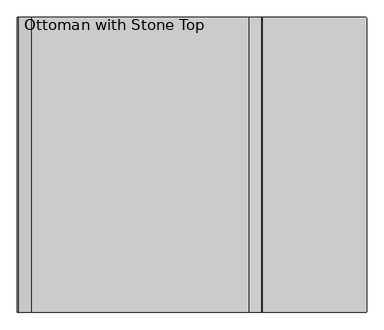
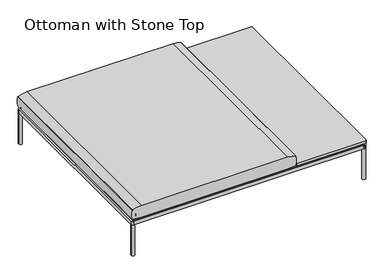
"""IFC4 building model written with IfcOpenShell, lengths in millimetres: furniture geometry, Ottoman with Stone Top."""

from ifc_helpers import new_model, si_unit, point, frame, frame_2d, origin, origin_with_axes, place, context, project, spatial, polyline, circle_curve, trimmed, segment, composite_curve, outline, extrude, source, transform, mapped, element, save
from ifc_brep_helpers import plane_surface, cylinder_surface, advanced_brep


def ottoman_with_stone_top_fe8f8da9(model_context):
    return source(origin(), model_context, "Body", "SolidModel", [
        extrude(outline(composite_curve([segment(trimmed(circle_curve(frame_2d((492.2547118, 255.27)), 2.54), [point((492.2547118, 257.81))], [point((494.7947118, 255.27))], False, "CARTESIAN"), True, "CONTINUOUS"), segment(polyline([(494.7947118, 255.27), (494.7947118, -839.47)]), True, "CONTINUOUS"), segment(trimmed(circle_curve(frame_2d((492.2547118, -839.47)), 2.54), [point((494.7947118, -839.47))], [point((492.2547118, -842.01))], False, "CARTESIAN"), True, "CONTINUOUS"), segment(polyline([(492.2547118, -842.01), (108.7147118, -842.01)]), True, "CONTINUOUS"), segment(trimmed(circle_curve(frame_2d((108.7147118, -839.47)), 2.54), [point((108.7147118, -842.01))], [point((106.1747118, -839.47))], False, "CARTESIAN"), True, "CONTINUOUS"), segment(polyline([(106.1747118, -839.47), (106.1747118, 255.27)]), True, "CONTINUOUS"), segment(trimmed(circle_curve(frame_2d((108.7147118, 255.27)), 2.54), [point((106.1747118, 255.27))], [point((108.7147118, 257.81))], False, "CARTESIAN"), True, "CONTINUOUS"), segment(polyline([(108.7147118, 257.81), (492.2547118, 257.81)]), True, "CONTINUOUS")], self_intersect=False)), frame((0.0, 0.0, 210.5022953), z_axis=(0.0, 0.0, 1.0), x_axis=(1.0, 0.0, 0.0)), (0.0, 0.0, 1.0), 15.2403071),
        extrude(outline(composite_curve([segment(trimmed(circle_curve(frame_2d((196.9469907, 169.6010815)), 4.010989), [point((192.9360018, 169.6010815))], [point((200.9579797, 169.6010815))], False, "CARTESIAN"), True, "CONTINUOUS"), segment(trimmed(circle_curve(frame_2d((196.9469907, 169.6010815)), 4.010989), [point((200.9579797, 169.6010815))], [point((192.9360018, 169.6010815))], False, "CARTESIAN"), True, "CONTINUOUS")], self_intersect=False)), frame((0.0, 0.0, 170.7645404), z_axis=(0.0, 0.0, 1.0), x_axis=(1.0, 0.0, 0.0)), (0.0, 0.0, 1.0), 38.5977894),
        extrude(outline(composite_curve([segment(trimmed(circle_curve(frame_2d((-3.1055663, 169.5794929)), 4.010989), [point((-7.1165553, 169.5794929))], [point((0.9054227, 169.5794929))], False, "CARTESIAN"), True, "CONTINUOUS"), segment(trimmed(circle_curve(frame_2d((-3.1055663, 169.5794929)), 4.010989), [point((0.9054227, 169.5794929))], [point((-7.1165553, 169.5794929))], False, "CARTESIAN"), True, "CONTINUOUS")], self_intersect=False)), frame((0.0, 0.0, 170.7645404), z_axis=(0.0, 0.0, 1.0), x_axis=(1.0, 0.0, 0.0)), (0.0, 0.0, 1.0), 38.5977894),
        extrude(outline(composite_curve([segment(trimmed(circle_curve(frame_2d((-3.1055663, -754.4437022)), 4.010989), [point((-7.1165553, -754.4437022))], [point((0.9054227, -754.4437022))], False, "CARTESIAN"), True, "CONTINUOUS"), segment(trimmed(circle_curve(frame_2d((-3.1055663, -754.4437022)), 4.010989), [point((0.9054227, -754.4437022))], [point((-7.1165553, -754.4437022))], False, "CARTESIAN"), True, "CONTINUOUS")], self_intersect=False)), frame((0.0, 0.0, 170.7645404), z_axis=(0.0, 0.0, 1.0), x_axis=(1.0, 0.0, 0.0)), (0.0, 0.0, 1.0), 38.5977894),
        extrude(outline(composite_curve([segment(trimmed(circle_curve(frame_2d((196.9593077, -754.4437022)), 4.010989), [point((192.9483187, -754.4437022))], [point((200.9702967, -754.4437022))], False, "CARTESIAN"), True, "CONTINUOUS"), segment(trimmed(circle_curve(frame_2d((196.9593077, -754.4437022)), 4.010989), [point((200.9702967, -754.4437022))], [point((192.9483187, -754.4437022))], False, "CARTESIAN"), True, "CONTINUOUS")], self_intersect=False)), frame((0.0, 0.0, 170.7645404), z_axis=(0.0, 0.0, 1.0), x_axis=(1.0, 0.0, 0.0)), (0.0, 0.0, 1.0), 38.5977894),
        extrude(outline(composite_curve([segment(trimmed(circle_curve(frame_2d((196.9469907, -754.4095964)), 9.4611539), [point((187.4858368, -754.4095964))], [point((206.4081446, -754.4095964))], False, "CARTESIAN"), True, "CONTINUOUS"), segment(trimmed(circle_curve(frame_2d((196.9469907, -754.4095964)), 9.4611539), [point((206.4081446, -754.4095964))], [point((187.4858368, -754.4095964))], False, "CARTESIAN"), True, "CONTINUOUS")], self_intersect=False)), frame((0.0, 0.0, 200.6638055), z_axis=(0.0, 0.0, 1.0), x_axis=(1.0, 0.0, 0.0)), (0.0, 0.0, 1.0), 5.2496237),
        extrude(outline(composite_curve([segment(trimmed(circle_curve(frame_2d((-3.0530108, -754.3457503)), 9.4611539), [point((-12.5141647, -754.3457503))], [point((6.4081431, -754.3457503))], False, "CARTESIAN"), True, "CONTINUOUS"), segment(trimmed(circle_curve(frame_2d((-3.0530108, -754.3457503)), 9.4611539), [point((6.4081431, -754.3457503))], [point((-12.5141647, -754.3457503))], False, "CARTESIAN"), True, "CONTINUOUS")], self_intersect=False)), frame((0.0, 0.0, 200.6638055), z_axis=(0.0, 0.0, 1.0), x_axis=(1.0, 0.0, 0.0)), (0.0, 0.0, 1.0), 5.2496237),
        extrude(outline(composite_curve([segment(trimmed(circle_curve(frame_2d((-3.0530108, 169.6649276)), 9.4611539), [point((-12.5141647, 169.6649276))], [point((6.4081431, 169.6649276))], False, "CARTESIAN"), True, "CONTINUOUS"), segment(trimmed(circle_curve(frame_2d((-3.0530108, 169.6649276)), 9.4611539), [point((6.4081431, 169.6649276))], [point((-12.5141647, 169.6649276))], False, "CARTESIAN"), True, "CONTINUOUS")], self_intersect=False)), frame((0.0, 0.0, 200.6638055), z_axis=(0.0, 0.0, 1.0), x_axis=(1.0, 0.0, 0.0)), (0.0, 0.0, 1.0), 5.2496237),
        extrude(outline(composite_curve([segment(trimmed(circle_curve(frame_2d((196.9469907, 169.6649276)), 9.4611539), [point((187.4858368, 169.6649276))], [point((206.4081446, 169.6649276))], False, "CARTESIAN"), True, "CONTINUOUS"), segment(trimmed(circle_curve(frame_2d((196.9469907, 169.6649276)), 9.4611539), [point((206.4081446, 169.6649276))], [point((187.4858368, 169.6649276))], False, "CARTESIAN"), True, "CONTINUOUS")], self_intersect=False)), frame((0.0, 0.0, 200.6638055), z_axis=(0.0, 0.0, 1.0), x_axis=(1.0, 0.0, 0.0)), (0.0, 0.0, 1.0), 5.2496237),
        extrude(outline(composite_curve([segment(trimmed(circle_curve(frame_2d((196.9469907, -754.4095964)), 9.4611539), [point((187.4858368, -754.4095964))], [point((206.4081446, -754.4095964))], False, "CARTESIAN"), True, "CONTINUOUS"), segment(trimmed(circle_curve(frame_2d((196.9469907, -754.4095964)), 9.4611539), [point((206.4081446, -754.4095964))], [point((187.4858368, -754.4095964))], False, "CARTESIAN"), True, "CONTINUOUS")], self_intersect=False)), frame((0.0, 0.0, 175.5804905), z_axis=(0.0, 0.0, 1.0), x_axis=(1.0, 0.0, 0.0)), (0.0, 0.0, 1.0), 5.2496237),
        extrude(outline(composite_curve([segment(trimmed(circle_curve(frame_2d((-3.0530108, -754.3457503)), 9.4611539), [point((-12.5141647, -754.3457503))], [point((6.4081431, -754.3457503))], False, "CARTESIAN"), True, "CONTINUOUS"), segment(trimmed(circle_curve(frame_2d((-3.0530108, -754.3457503)), 9.4611539), [point((6.4081431, -754.3457503))], [point((-12.5141647, -754.3457503))], False, "CARTESIAN"), True, "CONTINUOUS")], self_intersect=False)), frame((0.0, 0.0, 175.5804905), z_axis=(0.0, 0.0, 1.0), x_axis=(1.0, 0.0, 0.0)), (0.0, 0.0, 1.0), 5.2496237),
        extrude(outline(composite_curve([segment(trimmed(circle_curve(frame_2d((-3.0530108, 169.6649276)), 9.4611539), [point((-12.5141647, 169.6649276))], [point((6.4081431, 169.6649276))], False, "CARTESIAN"), True, "CONTINUOUS"), segment(trimmed(circle_curve(frame_2d((-3.0530108, 169.6649276)), 9.4611539), [point((6.4081431, 169.6649276))], [point((-12.5141647, 169.6649276))], False, "CARTESIAN"), True, "CONTINUOUS")], self_intersect=False)), frame((0.0, 0.0, 175.5804905), z_axis=(0.0, 0.0, 1.0), x_axis=(1.0, 0.0, 0.0)), (0.0, 0.0, 1.0), 5.2496237),
        extrude(outline(composite_curve([segment(trimmed(circle_curve(frame_2d((196.9469907, 169.6649276)), 9.4611539), [point((187.4858368, 169.6649276))], [point((206.4081446, 169.6649276))], False, "CARTESIAN"), True, "CONTINUOUS"), segment(trimmed(circle_curve(frame_2d((196.9469907, 169.6649276)), 9.4611539), [point((206.4081446, 169.6649276))], [point((187.4858368, 169.6649276))], False, "CARTESIAN"), True, "CONTINUOUS")], self_intersect=False)), frame((0.0, 0.0, 175.5804905), z_axis=(0.0, 0.0, 1.0), x_axis=(1.0, 0.0, 0.0)), (0.0, 0.0, 1.0), 5.2496237),
        extrude(outline(composite_curve([segment(trimmed(circle_curve(frame_2d((196.7916573, 122.4736534)), 36.0166924), [point((212.7435269, 154.7651382))], [point((180.8397877, 154.7651382))], True, "CARTESIAN"), True, "CONTINUOUS"), segment(trimmed(circle_curve(frame_2d((180.5081653, 155.6702968)), 0.9639946), [point((180.8397877, 154.7651382))], [point((179.7634816, 155.0581436))], False, "CARTESIAN"), True, "CONTINUOUS"), segment(trimmed(circle_curve(frame_2d((199.6873534, 171.4361863)), 25.79149), [point((179.7634816, 155.0581436))], [point((175.5416164, 162.3706285))], False, "CARTESIAN"), True, "CONTINUOUS"), segment(trimmed(circle_curve(frame_2d((176.4514144, 162.7122137)), 0.971809), [point((175.5416164, 162.3706285))], [point((175.9386844, 163.5377564))], False, "CARTESIAN"), True, "CONTINUOUS"), segment(trimmed(circle_curve(frame_2d((156.3690008, 193.1030042)), 35.4552732), [point((175.9386844, 163.5377564))], [point((191.7580983, 190.9377849))], True, "CARTESIAN"), True, "CONTINUOUS"), segment(trimmed(circle_curve(frame_2d((192.7780635, 190.8643155)), 1.0226079), [point((191.7580983, 190.9377849))], [point((192.5690953, 191.8653446))], False, "CARTESIAN"), True, "CONTINUOUS"), segment(trimmed(circle_curve(frame_2d((196.7916573, 171.6378378)), 20.6635442), [point((192.5690953, 191.8653446))], [point((201.0142193, 191.8653446))], False, "CARTESIAN"), True, "CONTINUOUS"), segment(trimmed(circle_curve(frame_2d((200.805337, 190.8647274)), 1.0221871), [point((201.0142193, 191.8653446))], [point((201.8248918, 190.9380379))], False, "CARTESIAN"), True, "CONTINUOUS"), segment(trimmed(circle_curve(frame_2d((237.9646471, 193.536646)), 36.2330605), [point((201.8248918, 190.9380379))], [point((217.6443089, 163.5380039))], True, "CARTESIAN"), True, "CONTINUOUS"), segment(trimmed(circle_curve(frame_2d((217.0702859, 162.6905815)), 1.0235365), [point((217.6443089, 163.5380039))], [point((218.045337, 162.3792898))], False, "CARTESIAN"), True, "CONTINUOUS"), segment(trimmed(circle_curve(frame_2d((194.579629, 171.0425348)), 25.0138214), [point((218.045337, 162.3792898))], [point((213.8150733, 155.0522582))], False, "CARTESIAN"), True, "CONTINUOUS"), segment(trimmed(circle_curve(frame_2d((213.115827, 155.518788)), 0.8405923), [point((213.8150733, 155.0522582))], [point((212.7435269, 154.7651382))], False, "CARTESIAN"), True, "CONTINUOUS")], self_intersect=False)), frame((0.0, 0.0, 165.7894444), z_axis=(0.0, 0.0, 1.0), x_axis=(1.0, 0.0, 0.0)), (0.0, 0.0, 1.0), 9.7910462),
        extrude(outline(composite_curve([segment(trimmed(circle_curve(frame_2d((-3.0530108, 122.2288136)), 36.0166924), [point((12.8988588, 154.5202984))], [point((-19.0048804, 154.5202984))], True, "CARTESIAN"), True, "CONTINUOUS"), segment(trimmed(circle_curve(frame_2d((-19.3365028, 155.425457)), 0.9639946), [point((-19.0048804, 154.5202984))], [point((-20.0811865, 154.8133038))], False, "CARTESIAN"), True, "CONTINUOUS"), segment(trimmed(circle_curve(frame_2d((-0.1573146, 171.1913465)), 25.79149), [point((-20.0811865, 154.8133038))], [point((-24.3030517, 162.1257887))], False, "CARTESIAN"), True, "CONTINUOUS"), segment(trimmed(circle_curve(frame_2d((-23.3932537, 162.4673739)), 0.971809), [point((-24.3030517, 162.1257887))], [point((-23.9059837, 163.2929166))], False, "CARTESIAN"), True, "CONTINUOUS"), segment(trimmed(circle_curve(frame_2d((-43.4756673, 192.8581644)), 35.4552732), [point((-23.9059837, 163.2929166))], [point((-8.0865698, 190.6929451))], True, "CARTESIAN"), True, "CONTINUOUS"), segment(trimmed(circle_curve(frame_2d((-7.0666045, 190.6194757)), 1.0226079), [point((-8.0865698, 190.6929451))], [point((-7.2755728, 191.6205048))], False, "CARTESIAN"), True, "CONTINUOUS"), segment(trimmed(circle_curve(frame_2d((-3.0530108, 171.392998)), 20.6635442), [point((-7.2755728, 191.6205048))], [point((1.1695512, 191.6205048))], False, "CARTESIAN"), True, "CONTINUOUS"), segment(trimmed(circle_curve(frame_2d((0.960669, 190.6198877)), 1.0221871), [point((1.1695512, 191.6205048))], [point((1.9802238, 190.6931981))], False, "CARTESIAN"), True, "CONTINUOUS"), segment(trimmed(circle_curve(frame_2d((38.119979, 193.2918062)), 36.2330605), [point((1.9802238, 190.6931981))], [point((17.7996408, 163.2931641))], True, "CARTESIAN"), True, "CONTINUOUS"), segment(trimmed(circle_curve(frame_2d((17.2256179, 162.4457417)), 1.0235365), [point((17.7996408, 163.2931641))], [point((18.2006689, 162.13445))], False, "CARTESIAN"), True, "CONTINUOUS"), segment(trimmed(circle_curve(frame_2d((-5.265039, 170.797695)), 25.0138214), [point((18.2006689, 162.13445))], [point((13.9704052, 154.8074184))], False, "CARTESIAN"), True, "CONTINUOUS"), segment(trimmed(circle_curve(frame_2d((13.2711589, 155.2739482)), 0.8405923), [point((13.9704052, 154.8074184))], [point((12.8988588, 154.5202984))], False, "CARTESIAN"), True, "CONTINUOUS")], self_intersect=False)), frame((0.0, 0.0, 165.7894444), z_axis=(0.0, 0.0, 1.0), x_axis=(1.0, 0.0, 0.0)), (0.0, 0.0, 1.0), 9.7910462),
        extrude(outline(composite_curve([segment(trimmed(circle_curve(frame_2d((-3.0530108, -801.7818643)), 36.0166924), [point((12.8988588, -769.4903795))], [point((-19.0048804, -769.4903795))], True, "CARTESIAN"), True, "CONTINUOUS"), segment(trimmed(circle_curve(frame_2d((-19.3365028, -768.5852209)), 0.9639946), [point((-19.0048804, -769.4903795))], [point((-20.0811865, -769.1973741))], False, "CARTESIAN"), True, "CONTINUOUS"), segment(trimmed(circle_curve(frame_2d((-0.1573146, -752.8193314)), 25.79149), [point((-20.0811865, -769.1973741))], [point((-24.3030517, -761.8848892))], False, "CARTESIAN"), True, "CONTINUOUS"), segment(trimmed(circle_curve(frame_2d((-23.3932537, -761.543304)), 0.971809), [point((-24.3030517, -761.8848892))], [point((-23.9059837, -760.7177613))], False, "CARTESIAN"), True, "CONTINUOUS"), segment(trimmed(circle_curve(frame_2d((-43.4756673, -731.1525135)), 35.4552732), [point((-23.9059837, -760.7177613))], [point((-8.0865698, -733.3177328))], True, "CARTESIAN"), True, "CONTINUOUS"), segment(trimmed(circle_curve(frame_2d((-7.0666045, -733.3912022)), 1.0226079), [point((-8.0865698, -733.3177328))], [point((-7.2755728, -732.3901731))], False, "CARTESIAN"), True, "CONTINUOUS"), segment(trimmed(circle_curve(frame_2d((-3.0530108, -752.6176799)), 20.6635442), [point((-7.2755728, -732.3901731))], [point((1.1695512, -732.3901731))], False, "CARTESIAN"), True, "CONTINUOUS"), segment(trimmed(circle_curve(frame_2d((0.960669, -733.3907903)), 1.0221871), [point((1.1695512, -732.3901731))], [point((1.9802238, -733.3174798))], False, "CARTESIAN"), True, "CONTINUOUS"), segment(trimmed(circle_curve(frame_2d((38.119979, -730.7188717)), 36.2330605), [point((1.9802238, -733.3174798))], [point((17.7996408, -760.7175138))], True, "CARTESIAN"), True, "CONTINUOUS"), segment(trimmed(circle_curve(frame_2d((17.2256179, -761.5649362)), 1.0235365), [point((17.7996408, -760.7175138))], [point((18.2006689, -761.8762279))], False, "CARTESIAN"), True, "CONTINUOUS"), segment(trimmed(circle_curve(frame_2d((-5.265039, -753.2129829)), 25.0138214), [point((18.2006689, -761.8762279))], [point((13.9704052, -769.2032595))], False, "CARTESIAN"), True, "CONTINUOUS"), segment(trimmed(circle_curve(frame_2d((13.2711589, -768.7367297)), 0.8405923), [point((13.9704052, -769.2032595))], [point((12.8988588, -769.4903795))], False, "CARTESIAN"), True, "CONTINUOUS")], self_intersect=False)), frame((0.0, 0.0, 165.7894444), z_axis=(0.0, 0.0, 1.0), x_axis=(1.0, 0.0, 0.0)), (0.0, 0.0, 1.0), 9.7910462),
        extrude(outline(composite_curve([segment(trimmed(circle_curve(frame_2d((196.9469907, -801.7818643)), 36.0166924), [point((212.8988603, -769.4903795))], [point((180.9951211, -769.4903795))], True, "CARTESIAN"), True, "CONTINUOUS"), segment(trimmed(circle_curve(frame_2d((180.6634988, -768.5852209)), 0.9639946), [point((180.9951211, -769.4903795))], [point((179.918815, -769.1973741))], False, "CARTESIAN"), True, "CONTINUOUS"), segment(trimmed(circle_curve(frame_2d((199.8426869, -752.8193314)), 25.79149), [point((179.918815, -769.1973741))], [point((175.6969499, -761.8848892))], False, "CARTESIAN"), True, "CONTINUOUS"), segment(trimmed(circle_curve(frame_2d((176.6067478, -761.543304)), 0.971809), [point((175.6969499, -761.8848892))], [point((176.0940178, -760.7177613))], False, "CARTESIAN"), True, "CONTINUOUS"), segment(trimmed(circle_curve(frame_2d((156.5243342, -731.1525135)), 35.4552732), [point((176.0940178, -760.7177613))], [point((191.9134317, -733.3177328))], True, "CARTESIAN"), True, "CONTINUOUS"), segment(trimmed(circle_curve(frame_2d((192.933397, -733.3912022)), 1.0226079), [point((191.9134317, -733.3177328))], [point((192.7244287, -732.3901731))], False, "CARTESIAN"), True, "CONTINUOUS"), segment(trimmed(circle_curve(frame_2d((196.9469907, -752.6176799)), 20.6635442), [point((192.7244287, -732.3901731))], [point((201.1695528, -732.3901731))], False, "CARTESIAN"), True, "CONTINUOUS"), segment(trimmed(circle_curve(frame_2d((200.9606705, -733.3907903)), 1.0221871), [point((201.1695528, -732.3901731))], [point((201.9802253, -733.3174798))], False, "CARTESIAN"), True, "CONTINUOUS"), segment(trimmed(circle_curve(frame_2d((238.1199805, -730.7188717)), 36.2330605), [point((201.9802253, -733.3174798))], [point((217.7996423, -760.7175138))], True, "CARTESIAN"), True, "CONTINUOUS"), segment(trimmed(circle_curve(frame_2d((217.2256194, -761.5649362)), 1.0235365), [point((217.7996423, -760.7175138))], [point((218.2006704, -761.8762279))], False, "CARTESIAN"), True, "CONTINUOUS"), segment(trimmed(circle_curve(frame_2d((194.7349625, -753.2129829)), 25.0138214), [point((218.2006704, -761.8762279))], [point((213.9704067, -769.2032595))], False, "CARTESIAN"), True, "CONTINUOUS"), segment(trimmed(circle_curve(frame_2d((213.2711605, -768.7367297)), 0.8405923), [point((213.9704067, -769.2032595))], [point((212.8988603, -769.4903795))], False, "CARTESIAN"), True, "CONTINUOUS")], self_intersect=False)), frame((0.0, 0.0, 165.7894444), z_axis=(0.0, 0.0, 1.0), x_axis=(1.0, 0.0, 0.0)), (0.0, 0.0, 1.0), 9.7910462),
        extrude(outline(composite_curve([segment(trimmed(circle_curve(frame_2d((-793.7438099, 245.8600121)), 1.9413078), [point((-795.6851177, 245.8600121))], [point((-793.7438099, 247.8013198))], False, "CARTESIAN"), True, "CONTINUOUS"), segment(polyline([(-793.7438099, 247.8013198), (482.7909315, 247.8013198)]), True, "CONTINUOUS"), segment(trimmed(circle_curve(frame_2d((482.7909315, 245.7941911)), 2.0071288), [point((482.7909315, 247.8013198))], [point((484.7980603, 245.7941911))], False, "CARTESIAN"), True, "CONTINUOUS"), segment(polyline([(484.7980603, 245.7941911), (484.7980603, -830.0202885)]), True, "CONTINUOUS"), segment(trimmed(circle_curve(frame_2d((482.7963356, -830.0202885)), 2.0017246), [point((484.7980603, -830.0202885))], [point((482.7963356, -832.0220131))], False, "CARTESIAN"), True, "CONTINUOUS"), segment(polyline([(482.7963356, -832.0220131), (-793.6865391, -832.0220131)]), True, "CONTINUOUS"), segment(trimmed(circle_curve(frame_2d((-793.6865391, -830.0234345)), 1.9985786), [point((-793.6865391, -832.0220131))], [point((-795.6851177, -830.0234345))], False, "CARTESIAN"), True, "CONTINUOUS"), segment(polyline([(-795.6851177, -830.0234345), (-795.6851177, 245.8600121)]), True, "CONTINUOUS")], self_intersect=False)), frame((0.0, 0.0, 200.6639327), z_axis=(0.0, 0.0, 1.0), x_axis=(1.0, 0.0, 0.0)), (0.0, 0.0, 1.0), 8.6983971),
        extrude(outline(composite_curve([segment(trimmed(circle_curve(frame_2d((-734.5485908, -768.4918899)), 0.8405923), [point((-734.1762907, -769.2455397))], [point((-735.2478371, -768.9584197))], False, "CARTESIAN"), True, "CONTINUOUS"), segment(trimmed(circle_curve(frame_2d((-716.0123929, -752.9681431)), 25.0138214), [point((-735.2478371, -768.9584197))], [point((-739.4781008, -761.6313881))], False, "CARTESIAN"), True, "CONTINUOUS"), segment(trimmed(circle_curve(frame_2d((-738.5030497, -761.3200964)), 1.0235365), [point((-739.4781008, -761.6313881))], [point((-739.0770727, -760.472674))], False, "CARTESIAN"), True, "CONTINUOUS"), segment(trimmed(circle_curve(frame_2d((-759.3974109, -730.4740319)), 36.2330605), [point((-739.0770727, -760.472674))], [point((-723.2576556, -733.07264))], True, "CARTESIAN"), True, "CONTINUOUS"), segment(trimmed(circle_curve(frame_2d((-722.2381008, -733.1459505)), 1.0221871), [point((-723.2576556, -733.07264))], [point((-722.4469831, -732.1453333))], False, "CARTESIAN"), True, "CONTINUOUS"), segment(trimmed(circle_curve(frame_2d((-718.2244211, -752.3728401)), 20.6635442), [point((-722.4469831, -732.1453333))], [point((-714.0018591, -732.1453333))], False, "CARTESIAN"), True, "CONTINUOUS"), segment(trimmed(circle_curve(frame_2d((-714.2108273, -733.1463624)), 1.0226079), [point((-714.0018591, -732.1453333))], [point((-713.1908621, -733.072893))], False, "CARTESIAN"), True, "CONTINUOUS"), segment(trimmed(circle_curve(frame_2d((-677.8017646, -730.9076737)), 35.4552732), [point((-713.1908621, -733.072893))], [point((-697.3714482, -760.4729215))], True, "CARTESIAN"), True, "CONTINUOUS"), segment(trimmed(circle_curve(frame_2d((-697.8841782, -761.2984642)), 0.971809), [point((-697.3714482, -760.4729215))], [point((-696.9743802, -761.6400494))], False, "CARTESIAN"), True, "CONTINUOUS"), segment(trimmed(circle_curve(frame_2d((-721.1201172, -752.5744916)), 25.79149), [point((-696.9743802, -761.6400494))], [point((-701.1962454, -768.9525343))], False, "CARTESIAN"), True, "CONTINUOUS"), segment(trimmed(circle_curve(frame_2d((-701.9409291, -768.3403811)), 0.9639946), [point((-701.1962454, -768.9525343))], [point((-702.2725515, -769.2455397))], False, "CARTESIAN"), True, "CONTINUOUS"), segment(trimmed(circle_curve(frame_2d((-718.2244211, -801.5370245)), 36.0166924), [point((-702.2725515, -769.2455397))], [point((-734.1762907, -769.2455397))], True, "CARTESIAN"), True, "CONTINUOUS")], self_intersect=False)), frame((0.0, 0.0, 165.7894444), z_axis=(0.0, 0.0, 1.0), x_axis=(1.0, 0.0, 0.0)), (0.0, 0.0, 1.0), 9.7910462),
        extrude(outline(composite_curve([segment(trimmed(circle_curve(frame_2d((-718.2242758, -754.2455832)), 3.9922173), [point((-714.2320585, -754.2455832))], [point((-722.216493, -754.2455832))], False, "CARTESIAN"), True, "CONTINUOUS"), segment(trimmed(circle_curve(frame_2d((-718.2242758, -754.2455832)), 3.9922173), [point((-722.216493, -754.2455832))], [point((-714.2320585, -754.2455832))], False, "CARTESIAN"), True, "CONTINUOUS")], self_intersect=False)), frame((0.0, 0.0, 170.7645404), z_axis=(0.0, 0.0, 1.0), x_axis=(1.0, 0.0, 0.0)), (0.0, 0.0, 1.0), 38.5901772),
        extrude(outline(composite_curve([segment(trimmed(circle_curve(frame_2d((-718.2242758, -754.2455832)), 9.4525726), [point((-708.7717031, -754.2455832))], [point((-727.6768484, -754.2455832))], False, "CARTESIAN"), True, "CONTINUOUS"), segment(trimmed(circle_curve(frame_2d((-718.2242758, -754.2455832)), 9.4525726), [point((-727.6768484, -754.2455832))], [point((-708.7717031, -754.2455832))], False, "CARTESIAN"), True, "CONTINUOUS")], self_intersect=False)), frame((0.0, 0.0, 200.6639145), z_axis=(0.0, 0.0, 1.0), x_axis=(1.0, 0.0, 0.0)), (0.0, 0.0, 1.0), 5.0787766),
        extrude(outline(composite_curve([segment(trimmed(circle_curve(frame_2d((-718.2242758, -754.2455832)), 9.4525726), [point((-708.7717031, -754.2455832))], [point((-727.6768484, -754.2455832))], False, "CARTESIAN"), True, "CONTINUOUS"), segment(trimmed(circle_curve(frame_2d((-718.2242758, -754.2455832)), 9.4525726), [point((-727.6768484, -754.2455832))], [point((-708.7717031, -754.2455832))], False, "CARTESIAN"), True, "CONTINUOUS")], self_intersect=False)), frame((0.0, 0.0, 175.5804905), z_axis=(0.0, 0.0, 1.0), x_axis=(1.0, 0.0, 0.0)), (0.0, 0.0, 1.0), 5.0787766),
        extrude(outline(composite_curve([segment(trimmed(circle_curve(frame_2d((396.8166573, -801.5370245)), 36.0166924), [point((412.7685269, -769.2455397))], [point((380.8647877, -769.2455397))], True, "CARTESIAN"), True, "CONTINUOUS"), segment(trimmed(circle_curve(frame_2d((380.5331653, -768.3403811)), 0.9639946), [point((380.8647877, -769.2455397))], [point((379.7884816, -768.9525343))], False, "CARTESIAN"), True, "CONTINUOUS"), segment(trimmed(circle_curve(frame_2d((399.7123534, -752.5744916)), 25.79149), [point((379.7884816, -768.9525343))], [point((375.5666164, -761.6400494))], False, "CARTESIAN"), True, "CONTINUOUS"), segment(trimmed(circle_curve(frame_2d((376.4764144, -761.2984642)), 0.971809), [point((375.5666164, -761.6400494))], [point((375.9636844, -760.4729215))], False, "CARTESIAN"), True, "CONTINUOUS"), segment(trimmed(circle_curve(frame_2d((356.3940008, -730.9076737)), 35.4552732), [point((375.9636844, -760.4729215))], [point((391.7830983, -733.072893))], True, "CARTESIAN"), True, "CONTINUOUS"), segment(trimmed(circle_curve(frame_2d((392.8030635, -733.1463624)), 1.0226079), [point((391.7830983, -733.072893))], [point((392.5940953, -732.1453333))], False, "CARTESIAN"), True, "CONTINUOUS"), segment(trimmed(circle_curve(frame_2d((396.8166573, -752.3728401)), 20.6635442), [point((392.5940953, -732.1453333))], [point((401.0392193, -732.1453333))], False, "CARTESIAN"), True, "CONTINUOUS"), segment(trimmed(circle_curve(frame_2d((400.830337, -733.1459505)), 1.0221871), [point((401.0392193, -732.1453333))], [point((401.8498918, -733.07264))], False, "CARTESIAN"), True, "CONTINUOUS"), segment(trimmed(circle_curve(frame_2d((437.9896471, -730.4740319)), 36.2330605), [point((401.8498918, -733.07264))], [point((417.6693089, -760.472674))], True, "CARTESIAN"), True, "CONTINUOUS"), segment(trimmed(circle_curve(frame_2d((417.0952859, -761.3200964)), 1.0235365), [point((417.6693089, -760.472674))], [point((418.070337, -761.6313881))], False, "CARTESIAN"), True, "CONTINUOUS"), segment(trimmed(circle_curve(frame_2d((394.604629, -752.9681431)), 25.0138214), [point((418.070337, -761.6313881))], [point((413.8400733, -768.9584197))], False, "CARTESIAN"), True, "CONTINUOUS"), segment(trimmed(circle_curve(frame_2d((413.140827, -768.4918899)), 0.8405923), [point((413.8400733, -768.9584197))], [point((412.7685269, -769.2455397))], False, "CARTESIAN"), True, "CONTINUOUS")], self_intersect=False)), frame((0.0, 0.0, 165.7894444), z_axis=(0.0, 0.0, 1.0), x_axis=(1.0, 0.0, 0.0)), (0.0, 0.0, 1.0), 9.7910462),
        extrude(outline(composite_curve([segment(trimmed(circle_curve(frame_2d((396.816512, -754.2455832)), 3.9922173), [point((392.8242947, -754.2455832))], [point((400.8087292, -754.2455832))], False, "CARTESIAN"), True, "CONTINUOUS"), segment(trimmed(circle_curve(frame_2d((396.816512, -754.2455832)), 3.9922173), [point((400.8087292, -754.2455832))], [point((392.8242947, -754.2455832))], False, "CARTESIAN"), True, "CONTINUOUS")], self_intersect=False)), frame((0.0, 0.0, 170.7645404), z_axis=(0.0, 0.0, 1.0), x_axis=(1.0, 0.0, 0.0)), (0.0, 0.0, 1.0), 38.5901772),
        extrude(outline(composite_curve([segment(trimmed(circle_curve(frame_2d((396.816512, -754.2455832)), 9.4525726), [point((387.3639393, -754.2455832))], [point((406.2690846, -754.2455832))], False, "CARTESIAN"), True, "CONTINUOUS"), segment(trimmed(circle_curve(frame_2d((396.816512, -754.2455832)), 9.4525726), [point((406.2690846, -754.2455832))], [point((387.3639393, -754.2455832))], False, "CARTESIAN"), True, "CONTINUOUS")], self_intersect=False)), frame((0.0, 0.0, 200.6639145), z_axis=(0.0, 0.0, 1.0), x_axis=(1.0, 0.0, 0.0)), (0.0, 0.0, 1.0), 5.0787766),
        extrude(outline(composite_curve([segment(trimmed(circle_curve(frame_2d((396.816512, -754.2455832)), 9.4525726), [point((387.3639393, -754.2455832))], [point((406.2690846, -754.2455832))], False, "CARTESIAN"), True, "CONTINUOUS"), segment(trimmed(circle_curve(frame_2d((396.816512, -754.2455832)), 9.4525726), [point((406.2690846, -754.2455832))], [point((387.3639393, -754.2455832))], False, "CARTESIAN"), True, "CONTINUOUS")], self_intersect=False)), frame((0.0, 0.0, 175.5804905), z_axis=(0.0, 0.0, 1.0), x_axis=(1.0, 0.0, 0.0)), (0.0, 0.0, 1.0), 5.0787766),
        extrude(outline(composite_curve([segment(trimmed(circle_curve(frame_2d((-734.5485908, 155.518788)), 0.8405923), [point((-734.1762907, 154.7651382))], [point((-735.2478371, 155.0522582))], False, "CARTESIAN"), True, "CONTINUOUS"), segment(trimmed(circle_curve(frame_2d((-716.0123929, 171.0425348)), 25.0138214), [point((-735.2478371, 155.0522582))], [point((-739.4781008, 162.3792898))], False, "CARTESIAN"), True, "CONTINUOUS"), segment(trimmed(circle_curve(frame_2d((-738.5030497, 162.6905815)), 1.0235365), [point((-739.4781008, 162.3792898))], [point((-739.0770727, 163.5380039))], False, "CARTESIAN"), True, "CONTINUOUS"), segment(trimmed(circle_curve(frame_2d((-759.3974109, 193.536646)), 36.2330605), [point((-739.0770727, 163.5380039))], [point((-723.2576556, 190.9380379))], True, "CARTESIAN"), True, "CONTINUOUS"), segment(trimmed(circle_curve(frame_2d((-722.2381008, 190.8647274)), 1.0221871), [point((-723.2576556, 190.9380379))], [point((-722.4469831, 191.8653446))], False, "CARTESIAN"), True, "CONTINUOUS"), segment(trimmed(circle_curve(frame_2d((-718.2244211, 171.6378378)), 20.6635442), [point((-722.4469831, 191.8653446))], [point((-714.0018591, 191.8653446))], False, "CARTESIAN"), True, "CONTINUOUS"), segment(trimmed(circle_curve(frame_2d((-714.2108273, 190.8643155)), 1.0226079), [point((-714.0018591, 191.8653446))], [point((-713.1908621, 190.9377849))], False, "CARTESIAN"), True, "CONTINUOUS"), segment(trimmed(circle_curve(frame_2d((-677.8017646, 193.1030042)), 35.4552732), [point((-713.1908621, 190.9377849))], [point((-697.3714482, 163.5377564))], True, "CARTESIAN"), True, "CONTINUOUS"), segment(trimmed(circle_curve(frame_2d((-697.8841782, 162.7122137)), 0.971809), [point((-697.3714482, 163.5377564))], [point((-696.9743802, 162.3706285))], False, "CARTESIAN"), True, "CONTINUOUS"), segment(trimmed(circle_curve(frame_2d((-721.1201172, 171.4361863)), 25.79149), [point((-696.9743802, 162.3706285))], [point((-701.1962454, 155.0581436))], False, "CARTESIAN"), True, "CONTINUOUS"), segment(trimmed(circle_curve(frame_2d((-701.9409291, 155.6702968)), 0.9639946), [point((-701.1962454, 155.0581436))], [point((-702.2725515, 154.7651382))], False, "CARTESIAN"), True, "CONTINUOUS"), segment(trimmed(circle_curve(frame_2d((-718.2244211, 122.4736534)), 36.0166924), [point((-702.2725515, 154.7651382))], [point((-734.1762907, 154.7651382))], True, "CARTESIAN"), True, "CONTINUOUS")], self_intersect=False)), frame((0.0, 0.0, 165.7894444), z_axis=(0.0, 0.0, 1.0), x_axis=(1.0, 0.0, 0.0)), (0.0, 0.0, 1.0), 9.7910462),
        extrude(outline(composite_curve([segment(trimmed(circle_curve(frame_2d((-718.2242758, 169.7650947)), 3.9922173), [point((-714.2320585, 169.7650947))], [point((-722.216493, 169.7650947))], False, "CARTESIAN"), True, "CONTINUOUS"), segment(trimmed(circle_curve(frame_2d((-718.2242758, 169.7650947)), 3.9922173), [point((-722.216493, 169.7650947))], [point((-714.2320585, 169.7650947))], False, "CARTESIAN"), True, "CONTINUOUS")], self_intersect=False)), frame((0.0, 0.0, 170.7645404), z_axis=(0.0, 0.0, 1.0), x_axis=(1.0, 0.0, 0.0)), (0.0, 0.0, 1.0), 38.5901772),
        extrude(outline(composite_curve([segment(trimmed(circle_curve(frame_2d((-718.2242758, 169.7650947)), 9.4525726), [point((-708.7717031, 169.7650947))], [point((-727.6768484, 169.7650947))], False, "CARTESIAN"), True, "CONTINUOUS"), segment(trimmed(circle_curve(frame_2d((-718.2242758, 169.7650947)), 9.4525726), [point((-727.6768484, 169.7650947))], [point((-708.7717031, 169.7650947))], False, "CARTESIAN"), True, "CONTINUOUS")], self_intersect=False)), frame((0.0, 0.0, 200.6639145), z_axis=(0.0, 0.0, 1.0), x_axis=(1.0, 0.0, 0.0)), (0.0, 0.0, 1.0), 5.0787766),
        extrude(outline(composite_curve([segment(trimmed(circle_curve(frame_2d((-718.2242758, 169.7650947)), 9.4525726), [point((-708.7717031, 169.7650947))], [point((-727.6768484, 169.7650947))], False, "CARTESIAN"), True, "CONTINUOUS"), segment(trimmed(circle_curve(frame_2d((-718.2242758, 169.7650947)), 9.4525726), [point((-727.6768484, 169.7650947))], [point((-708.7717031, 169.7650947))], False, "CARTESIAN"), True, "CONTINUOUS")], self_intersect=False)), frame((0.0, 0.0, 175.5804905), z_axis=(0.0, 0.0, 1.0), x_axis=(1.0, 0.0, 0.0)), (0.0, 0.0, 1.0), 5.0787766),
        advanced_brep(
        [(387.3639393, 169.7650947, 180.6592671), (406.2690846, 169.7650947, 180.6592671), (400.8087292, 169.7650947, 180.6592671), (392.8242947, 169.7650947, 180.6592671), (387.3639393, 169.7650947, 175.5804905), (406.2690846, 169.7650947, 175.5804905), (392.8242947, 169.7650947, 175.5804905), (400.8087292, 169.7650947, 175.5804905), (387.3639393, 169.7650947, 205.742691), (406.2690846, 169.7650947, 205.742691), (400.8087292, 169.7650947, 205.742691), (392.8242947, 169.7650947, 205.742691), (387.3639393, 169.7650947, 200.6639145), (406.2690846, 169.7650947, 200.6639145), (392.8242947, 169.7650947, 200.6639145), (400.8087292, 169.7650947, 200.6639145), (392.8242947, 169.7650947, 209.3547176), (400.8087292, 169.7650947, 209.3547176), (392.8242947, 169.7650947, 170.7645404), (400.8087292, 169.7650947, 170.7645404)],
        [
            (0, 1, circle_curve(frame((396.816512, 169.7650947, 180.6592671), z_axis=(0.0, 0.0, 1.0), x_axis=(1.0, 0.0, 0.0)), 9.4525726)),
            (1, 0, circle_curve(frame((396.816512, 169.7650947, 180.6592671), z_axis=(0.0, 0.0, 1.0), x_axis=(1.0, 0.0, 0.0)), 9.4525726)),
            (2, 3, circle_curve(frame((396.816512, 169.7650947, 180.6592671), z_axis=(0.0, 0.0, -1.0), x_axis=(1.0, 0.0, 0.0)), 3.9922173)),
            (3, 2, circle_curve(frame((396.816512, 169.7650947, 180.6592671), z_axis=(0.0, 0.0, -1.0), x_axis=(1.0, 0.0, 0.0)), 3.9922173)),
            (4, 5, circle_curve(frame((396.816512, 169.7650947, 175.5804905), z_axis=(0.0, 0.0, -1.0), x_axis=(1.0, 0.0, 0.0)), 9.4525726)),
            (5, 4, circle_curve(frame((396.816512, 169.7650947, 175.5804905), z_axis=(0.0, 0.0, -1.0), x_axis=(1.0, 0.0, 0.0)), 9.4525726)),
            (6, 7, circle_curve(frame((396.816512, 169.7650947, 175.5804905), z_axis=(0.0, 0.0, 1.0), x_axis=(1.0, 0.0, 0.0)), 3.9922173)),
            (7, 6, circle_curve(frame((396.816512, 169.7650947, 175.5804905), z_axis=(0.0, 0.0, 1.0), x_axis=(1.0, 0.0, 0.0)), 3.9922173)),
            (0, 4),
            (5, 1),
            (8, 9, circle_curve(frame((396.816512, 169.7650947, 205.742691), z_axis=(0.0, 0.0, 1.0), x_axis=(1.0, 0.0, 0.0)), 9.4525726)),
            (9, 8, circle_curve(frame((396.816512, 169.7650947, 205.742691), z_axis=(0.0, 0.0, 1.0), x_axis=(1.0, 0.0, 0.0)), 9.4525726)),
            (10, 11, circle_curve(frame((396.816512, 169.7650947, 205.742691), z_axis=(0.0, 0.0, -1.0), x_axis=(1.0, 0.0, 0.0)), 3.9922173)),
            (11, 10, circle_curve(frame((396.816512, 169.7650947, 205.742691), z_axis=(0.0, 0.0, -1.0), x_axis=(1.0, 0.0, 0.0)), 3.9922173)),
            (12, 13, circle_curve(frame((396.816512, 169.7650947, 200.6639145), z_axis=(0.0, 0.0, -1.0), x_axis=(1.0, 0.0, 0.0)), 9.4525726)),
            (13, 12, circle_curve(frame((396.816512, 169.7650947, 200.6639145), z_axis=(0.0, 0.0, -1.0), x_axis=(1.0, 0.0, 0.0)), 9.4525726)),
            (14, 15, circle_curve(frame((396.816512, 169.7650947, 200.6639145), z_axis=(0.0, 0.0, 1.0), x_axis=(1.0, 0.0, 0.0)), 3.9922173)),
            (15, 14, circle_curve(frame((396.816512, 169.7650947, 200.6639145), z_axis=(0.0, 0.0, 1.0), x_axis=(1.0, 0.0, 0.0)), 3.9922173)),
            (8, 12),
            (13, 9),
            (16, 17, circle_curve(frame((396.816512, 169.7650947, 209.3547176), z_axis=(0.0, 0.0, 1.0), x_axis=(1.0, 0.0, 0.0)), 3.9922173)),
            (17, 16, circle_curve(frame((396.816512, 169.7650947, 209.3547176), z_axis=(0.0, 0.0, 1.0), x_axis=(1.0, 0.0, 0.0)), 3.9922173)),
            (18, 19, circle_curve(frame((396.816512, 169.7650947, 170.7645404), z_axis=(0.0, 0.0, -1.0), x_axis=(1.0, 0.0, 0.0)), 3.9922173)),
            (19, 18, circle_curve(frame((396.816512, 169.7650947, 170.7645404), z_axis=(0.0, 0.0, -1.0), x_axis=(1.0, 0.0, 0.0)), 3.9922173)),
            (16, 11),
            (10, 17),
            (19, 7),
            (6, 18),
            (14, 3),
            (2, 15),
        ],
        [
            plane_surface(frame((406.2690846, 169.7650947, 180.6592671), z_axis=(0.0, 0.0, 1.0), x_axis=(0.0, 1.0, 0.0))),
            plane_surface(frame((406.2690846, 169.7650947, 175.5804905), z_axis=(0.0, 0.0, -1.0), x_axis=(0.0, -1.0, 0.0))),
            cylinder_surface(frame((396.816512, 169.7650947, 175.5804905), z_axis=(0.0, 0.0, 1.0), x_axis=(1.0, 0.0, 0.0)), 9.4525726),
            plane_surface(frame((406.2690846, 169.7650947, 205.742691), z_axis=(0.0, 0.0, 1.0), x_axis=(0.0, 1.0, 0.0))),
            plane_surface(frame((406.2690846, 169.7650947, 200.6639145), z_axis=(0.0, 0.0, -1.0), x_axis=(0.0, -1.0, 0.0))),
            cylinder_surface(frame((396.816512, 169.7650947, 200.6639145), z_axis=(0.0, 0.0, 1.0), x_axis=(1.0, 0.0, 0.0)), 9.4525726),
            plane_surface(frame((400.8087292, 169.7650947, 209.3547176), z_axis=(0.0, 0.0, 1.0), x_axis=(0.0, 1.0, 0.0))),
            plane_surface(frame((400.8087292, 169.7650947, 170.7645404), z_axis=(0.0, 0.0, -1.0), x_axis=(0.0, -1.0, 0.0))),
            cylinder_surface(frame((396.816512, 169.7650947, 170.7645404), z_axis=(0.0, 0.0, 1.0), x_axis=(1.0, 0.0, 0.0)), 3.9922173),
        ],
        [
            (0, [[1, 2], [3, 4]]),
            (1, [[5, 6], [7, 8]]),
            (2, [[-1, 9, -6, 10]]),
            (2, [[-2, -10, -5, -9]]),
            (3, [[11, 12], [13, 14]]),
            (4, [[15, 16], [17, 18]]),
            (5, [[-11, 19, -16, 20]]),
            (5, [[-12, -20, -15, -19]]),
            (6, [[21, 22]]),
            (7, [[23, 24]]),
            (8, [[-21, 25, -13, 26]]),
            (8, [[-24, 27, -7, 28]]),
            (8, [[29, -3, 30, -17]]),
            (8, [[-22, -26, -14, -25]]),
            (8, [[-23, -28, -8, -27]]),
            (8, [[-29, -18, -30, -4]]),
        ],
    ),
        extrude(outline(composite_curve([segment(trimmed(circle_curve(frame_2d((396.8166573, 122.4736534)), 36.0166924), [point((412.7685269, 154.7651382))], [point((380.8647877, 154.7651382))], True, "CARTESIAN"), True, "CONTINUOUS"), segment(trimmed(circle_curve(frame_2d((380.5331653, 155.6702968)), 0.9639946), [point((380.8647877, 154.7651382))], [point((379.7884816, 155.0581436))], False, "CARTESIAN"), True, "CONTINUOUS"), segment(trimmed(circle_curve(frame_2d((399.7123534, 171.4361863)), 25.79149), [point((379.7884816, 155.0581436))], [point((375.5666164, 162.3706285))], False, "CARTESIAN"), True, "CONTINUOUS"), segment(trimmed(circle_curve(frame_2d((376.4764144, 162.7122137)), 0.971809), [point((375.5666164, 162.3706285))], [point((375.9636844, 163.5377564))], False, "CARTESIAN"), True, "CONTINUOUS"), segment(trimmed(circle_curve(frame_2d((356.3940008, 193.1030042)), 35.4552732), [point((375.9636844, 163.5377564))], [point((391.7830983, 190.9377849))], True, "CARTESIAN"), True, "CONTINUOUS"), segment(trimmed(circle_curve(frame_2d((392.8030635, 190.8643155)), 1.0226079), [point((391.7830983, 190.9377849))], [point((392.5940953, 191.8653446))], False, "CARTESIAN"), True, "CONTINUOUS"), segment(trimmed(circle_curve(frame_2d((396.8166573, 171.6378378)), 20.6635442), [point((392.5940953, 191.8653446))], [point((401.0392193, 191.8653446))], False, "CARTESIAN"), True, "CONTINUOUS"), segment(trimmed(circle_curve(frame_2d((400.830337, 190.8647274)), 1.0221871), [point((401.0392193, 191.8653446))], [point((401.8498918, 190.9380379))], False, "CARTESIAN"), True, "CONTINUOUS"), segment(trimmed(circle_curve(frame_2d((437.9896471, 193.536646)), 36.2330605), [point((401.8498918, 190.9380379))], [point((417.6693089, 163.5380039))], True, "CARTESIAN"), True, "CONTINUOUS"), segment(trimmed(circle_curve(frame_2d((417.0952859, 162.6905815)), 1.0235365), [point((417.6693089, 163.5380039))], [point((418.070337, 162.3792898))], False, "CARTESIAN"), True, "CONTINUOUS"), segment(trimmed(circle_curve(frame_2d((394.604629, 171.0425348)), 25.0138214), [point((418.070337, 162.3792898))], [point((413.8400733, 155.0522582))], False, "CARTESIAN"), True, "CONTINUOUS"), segment(trimmed(circle_curve(frame_2d((413.140827, 155.518788)), 0.8405923), [point((413.8400733, 155.0522582))], [point((412.7685269, 154.7651382))], False, "CARTESIAN"), True, "CONTINUOUS")], self_intersect=False)), frame((0.0, 0.0, 165.7894444), z_axis=(0.0, 0.0, 1.0), x_axis=(1.0, 0.0, 0.0)), (0.0, 0.0, 1.0), 9.7910462),
        extrude(outline(polyline([(454.7958218, -738.9854681), (454.7958218, -769.2455397), (-765.6834606, -769.2455397), (-765.6834606, -738.9854681), (454.7958218, -738.9854681)])), frame((0.0, 0.0, 182.5080096), z_axis=(0.0, 0.0, 1.0), x_axis=(1.0, 0.0, 0.0)), (0.0, 0.0, 1.0), 18.1559049),
        extrude(outline(polyline([(454.7958218, -537.2533049), (454.7958218, -567.5133765), (-765.6834606, -567.5133765), (-765.6834606, -537.2533049), (454.7958218, -537.2533049)])), frame((0.0, 0.0, 182.5080096), z_axis=(0.0, 0.0, 1.0), x_axis=(1.0, 0.0, 0.0)), (0.0, 0.0, 1.0), 18.1559049),
        extrude(outline(polyline([(454.7958218, -335.4707087), (454.7958218, -365.7307803), (-765.6834606, -365.7307803), (-765.6834606, -335.4707087), (454.7958218, -335.4707087)])), frame((0.0, 0.0, 182.5080096), z_axis=(0.0, 0.0, 1.0), x_axis=(1.0, 0.0, 0.0)), (0.0, 0.0, 1.0), 18.1559049),
        extrude(outline(polyline([(454.7958218, 185.0252098), (454.7958218, 154.7651382), (-765.6834606, 154.7651382), (-765.6834606, 185.0252098), (454.7958218, 185.0252098)])), frame((0.0, 0.0, 182.5080096), z_axis=(0.0, 0.0, 1.0), x_axis=(1.0, 0.0, 0.0)), (0.0, 0.0, 1.0), 18.1559049),
        extrude(outline(polyline([(190.6386208, 160.3135818), (-774.9557372, 160.3137453), (-802.0272233, 176.9731213), (-802.0272233, 200.6601021), (-769.245576, 180.4867667), (185.0247737, 180.4866032), (217.8063484, 200.6598086), (217.8063484, 177.0397933), (190.6386208, 160.3135818)])), frame((-170.5782154, 0.0, 0.0), z_axis=(1.0, 0.0, 0.0), x_axis=(0.0, 1.0, 0.0)), (0.0, 0.0, 1.0), 30.2599248),
        extrude(outline(composite_curve([segment(trimmed(circle_curve(frame_2d((484.6347118, 247.65)), 10.16), [point((484.6347118, 257.81))], [point((494.7947118, 247.65))], False, "CARTESIAN"), True, "CONTINUOUS"), segment(polyline([(494.7947118, 247.65), (494.7947118, -831.85)]), True, "CONTINUOUS"), segment(trimmed(circle_curve(frame_2d((484.6347118, -831.85)), 10.16), [point((494.7947118, -831.85))], [point((484.6347118, -842.01))], False, "CARTESIAN"), True, "CONTINUOUS"), segment(polyline([(484.6347118, -842.01), (-795.5252882, -842.01)]), True, "CONTINUOUS"), segment(trimmed(circle_curve(frame_2d((-795.5252882, -831.85)), 10.16), [point((-795.5252882, -842.01))], [point((-805.6852882, -831.85))], False, "CARTESIAN"), True, "CONTINUOUS"), segment(polyline([(-805.6852882, -831.85), (-805.6852882, 247.65)]), True, "CONTINUOUS"), segment(trimmed(circle_curve(frame_2d((-795.5252882, 247.65)), 10.16), [point((-805.6852882, 247.65))], [point((-795.5252882, 257.81))], False, "CARTESIAN"), True, "CONTINUOUS"), segment(polyline([(-795.5252882, 257.81), (484.6347118, 257.81)]), True, "CONTINUOUS")], self_intersect=False), holes=[composite_curve([segment(polyline([(-793.6865391, -832.0220131), (482.7963356, -832.0220131)]), True, "CONTINUOUS"), segment(trimmed(circle_curve(frame_2d((482.7963356, -830.0202885)), 2.0017246), [point((482.7963356, -832.0220131))], [point((484.7980603, -830.0202885))], True, "CARTESIAN"), True, "CONTINUOUS"), segment(polyline([(484.7980603, -830.0202885), (484.7980603, 245.7941911)]), True, "CONTINUOUS"), segment(trimmed(circle_curve(frame_2d((482.7909315, 245.7941911)), 2.0071288), [point((484.7980603, 245.7941911))], [point((482.7909315, 247.8013198))], True, "CARTESIAN"), True, "CONTINUOUS"), segment(polyline([(482.7909315, 247.8013198), (-793.7438099, 247.8013198)]), True, "CONTINUOUS"), segment(trimmed(circle_curve(frame_2d((-793.7438099, 245.8600121)), 1.9413078), [point((-793.7438099, 247.8013198))], [point((-795.6851177, 245.8600121))], True, "CARTESIAN"), True, "CONTINUOUS"), segment(polyline([(-795.6851177, 245.8600121), (-795.6851177, -830.0234345)]), True, "CONTINUOUS"), segment(trimmed(circle_curve(frame_2d((-793.6865391, -830.0234345)), 1.9985786), [point((-795.6851177, -830.0234345))], [point((-793.6865391, -832.0220131))], True, "CARTESIAN"), True, "CONTINUOUS")], self_intersect=False)]), frame((0.0, 0.0, 180.8301142), z_axis=(0.0, 0.0, 1.0), x_axis=(1.0, 0.0, 0.0)), (0.0, 0.0, 1.0), 19.8338184),
        extrude(outline(composite_curve([segment(polyline([(482.8193838, -831.0234549), (-793.6852152, -831.0234549)]), True, "CONTINUOUS"), segment(trimmed(circle_curve(frame_2d((-793.6852152, -830.022038)), 1.0014169), [point((-793.6852152, -831.0234549))], [point((-794.6866321, -830.022038))], False, "CARTESIAN"), True, "CONTINUOUS"), segment(polyline([(-794.6866321, -830.022038), (-794.6866321, 245.7403667)]), True, "CONTINUOUS"), segment(trimmed(circle_curve(frame_2d((-793.6243099, 245.7403667)), 1.0623222), [point((-794.6866321, 245.7403667))], [point((-793.62431, 246.8026889))], False, "CARTESIAN"), True, "CONTINUOUS"), segment(polyline([(-793.62431, 246.8026889), (482.8079882, 246.8028345)]), True, "CONTINUOUS"), segment(trimmed(circle_curve(frame_2d((482.8079882, 245.811248)), 0.9915865), [point((482.8079882, 246.8028345))], [point((483.7995747, 245.811248))], False, "CARTESIAN"), True, "CONTINUOUS"), segment(polyline([(483.7995747, 245.811248), (483.7995747, -830.043264)]), True, "CONTINUOUS"), segment(trimmed(circle_curve(frame_2d((482.8193838, -830.043264)), 0.9801909), [point((483.7995747, -830.043264))], [point((482.8193838, -831.0234549))], False, "CARTESIAN"), True, "CONTINUOUS")], self_intersect=False), holes=[composite_curve([segment(polyline([(467.7876141, 232.8228736), (-778.6802636, 232.8228736)]), True, "CONTINUOUS"), segment(trimmed(circle_curve(frame_2d((-778.6802636, 230.7964657)), 2.0264079), [point((-778.6802636, 232.8228736))], [point((-780.7066715, 230.7964657))], True, "CARTESIAN"), True, "CONTINUOUS"), segment(polyline([(-780.7066715, 230.7964657), (-780.7066715, -814.9889467)]), True, "CONTINUOUS"), segment(trimmed(circle_curve(frame_2d((-778.6520513, -814.9889467)), 2.0546202), [point((-780.7066715, -814.9889467))], [point((-778.652051, -817.0435669))], True, "CARTESIAN"), True, "CONTINUOUS"), segment(polyline([(-778.652051, -817.0435669), (467.8179778, -817.0437486)]), True, "CONTINUOUS"), segment(trimmed(circle_curve(frame_2d((467.8179778, -815.0418214)), 2.0019272), [point((467.8179778, -817.0437486))], [point((469.819905, -815.0418208))], True, "CARTESIAN"), True, "CONTINUOUS"), segment(polyline([(469.819905, -815.0418208), (469.8196141, 230.7908742)]), True, "CONTINUOUS"), segment(trimmed(circle_curve(frame_2d((467.7876141, 230.7908736)), 2.032), [point((469.8196141, 230.7908742))], [point((467.7876141, 232.8228736))], True, "CARTESIAN"), True, "CONTINUOUS")], self_intersect=False)]), frame((0.0, 0.0, 180.8301142), z_axis=(0.0, 0.0, 1.0), x_axis=(1.0, 0.0, 0.0)), (0.0, 0.0, 1.0), 19.8338184),
        extrude(outline(composite_curve([segment(trimmed(circle_curve(frame_2d((467.7876141, 230.7908736)), 2.032), [point((467.7876141, 232.8228736))], [point((469.8196141, 230.7908742))], False, "CARTESIAN"), True, "CONTINUOUS"), segment(polyline([(469.8196141, 230.7908742), (469.8199045, -815.0418208)]), True, "CONTINUOUS"), segment(trimmed(circle_curve(frame_2d((467.8179772, -815.0418214)), 2.0019272), [point((469.8199045, -815.0418208))], [point((467.8179775, -817.0437486))], False, "CARTESIAN"), True, "CONTINUOUS"), segment(polyline([(467.8179775, -817.0437486), (-778.652051, -817.0435669)]), True, "CONTINUOUS"), segment(trimmed(circle_curve(frame_2d((-778.6520507, -814.9889461)), 2.0546208), [point((-778.652051, -817.0435669))], [point((-780.7066715, -814.9889461))], False, "CARTESIAN"), True, "CONTINUOUS"), segment(polyline([(-780.7066715, -814.9889461), (-780.7066715, 230.7964657)]), True, "CONTINUOUS"), segment(trimmed(circle_curve(frame_2d((-778.6802636, 230.7964657)), 2.0264079), [point((-780.7066715, 230.7964657))], [point((-778.6802636, 232.8228736))], False, "CARTESIAN"), True, "CONTINUOUS"), segment(polyline([(-778.6802636, 232.8228736), (467.7876141, 232.8228736)]), True, "CONTINUOUS")], self_intersect=False), holes=[polyline([(-765.6831699, -802.0272233), (454.7961125, -802.026969), (454.7958218, 217.8060577), (-765.6831699, 217.8063484), (-765.6831699, -802.0272233)])]), frame((0.0, 0.0, 180.8301142), z_axis=(0.0, 0.0, 1.0), x_axis=(1.0, 0.0, 0.0)), (0.0, 0.0, 1.0), 19.8336913),
        extrude(outline(composite_curve([segment(trimmed(circle_curve(frame_2d((484.7983509, -832.0220858)), 9.92796), [point((474.8703909, -832.0220858))], [point((494.726311, -832.0220858))], False, "CARTESIAN"), True, "CONTINUOUS"), segment(trimmed(circle_curve(frame_2d((484.7983509, -832.0220858)), 9.92796), [point((494.726311, -832.0220858))], [point((474.8703909, -832.0220858))], False, "CARTESIAN"), True, "CONTINUOUS")], self_intersect=False)), origin_with_axes(), (0.0, 0.0, 1.0), 180.8301142),
        extrude(outline(composite_curve([segment(trimmed(circle_curve(frame_2d((-795.6889272, -832.0220858)), 9.92796), [point((-805.6168873, -832.0220858))], [point((-785.7609672, -832.0220858))], False, "CARTESIAN"), True, "CONTINUOUS"), segment(trimmed(circle_curve(frame_2d((-795.6889272, -832.0220858)), 9.92796), [point((-785.7609672, -832.0220858))], [point((-805.6168873, -832.0220858))], False, "CARTESIAN"), True, "CONTINUOUS")], self_intersect=False)), origin_with_axes(), (0.0, 0.0, 1.0), 180.8301142),
        extrude(outline(composite_curve([segment(trimmed(circle_curve(frame_2d((484.7983509, 247.8220858)), 9.92796), [point((474.8703909, 247.8220858))], [point((494.726311, 247.8220858))], False, "CARTESIAN"), True, "CONTINUOUS"), segment(trimmed(circle_curve(frame_2d((484.7983509, 247.8220858)), 9.92796), [point((494.726311, 247.8220858))], [point((474.8703909, 247.8220858))], False, "CARTESIAN"), True, "CONTINUOUS")], self_intersect=False)), origin_with_axes(), (0.0, 0.0, 1.0), 180.8301142),
        extrude(outline(composite_curve([segment(trimmed(circle_curve(frame_2d((-795.6889272, 247.8220858)), 9.92796), [point((-805.6168873, 247.8220858))], [point((-785.7609672, 247.8220858))], False, "CARTESIAN"), True, "CONTINUOUS"), segment(trimmed(circle_curve(frame_2d((-795.6889272, 247.8220858)), 9.92796), [point((-785.7609672, 247.8220858))], [point((-805.6168873, 247.8220858))], False, "CARTESIAN"), True, "CONTINUOUS")], self_intersect=False)), origin_with_axes(), (0.0, 0.0, 1.0), 180.8301142),
        extrude(outline(composite_curve([segment(trimmed(circle_curve(frame_2d((-7637.5367774, -349.6596241)), 7928.5707991), [point((280.6116145, 56.7403759))], [point((280.7713636, -752.9350883))], False, "CARTESIAN"), True, "CONTINUOUS"), segment(trimmed(circle_curve(frame_2d((117.3533085, -744.6122886)), 163.6298559), [point((280.7713636, -752.9350883))], [point((270.2241762, -802.9666162))], False, "CARTESIAN"), True, "CONTINUOUS"), segment(trimmed(circle_curve(frame_2d((269.450083, -802.671127)), 0.8285736), [point((270.2241762, -802.9666162))], [point((269.6330953, -803.4792363))], False, "CARTESIAN"), True, "CONTINUOUS"), segment(trimmed(circle_curve(frame_2d((242.4772343, -683.5697904)), 122.9459881), [point((269.6330953, -803.4792363))], [point((215.5228159, -803.5246791))], False, "CARTESIAN"), True, "CONTINUOUS"), segment(trimmed(circle_curve(frame_2d((215.7357015, -802.5772773)), 0.9710255), [point((215.5228159, -803.5246791))], [point((214.778623, -802.7412632))], False, "CARTESIAN"), True, "CONTINUOUS"), segment(trimmed(circle_curve(frame_2d((488.3212972, -755.872419)), 277.5288871), [point((214.778623, -802.7412632))], [point((210.806936, -758.7118691))], False, "CARTESIAN"), True, "CONTINUOUS"), segment(trimmed(circle_curve(frame_2d((40322.9521452, -348.2955049)), 40114.2447876), [point((210.806936, -758.7118691))], [point((210.7340006, 54.9294951))], False, "CARTESIAN"), True, "CONTINUOUS"), segment(trimmed(circle_curve(frame_2d((519.7262607, 51.8233741)), 309.0078717), [point((210.7340006, 54.9294951))], [point((214.8115305, 101.9519294))], False, "CARTESIAN"), True, "CONTINUOUS"), segment(trimmed(circle_curve(frame_2d((215.5084379, 101.8373565)), 0.7062627), [point((214.8115305, 101.9519294))], [point((215.3526207, 102.5262164))], False, "CARTESIAN"), True, "CONTINUOUS"), segment(trimmed(circle_curve(frame_2d((242.4772343, -17.3903018)), 122.9459881), [point((215.3526207, 102.5262164))], [point((269.5241255, 102.5437704))], False, "CARTESIAN"), True, "CONTINUOUS"), segment(trimmed(circle_curve(frame_2d((269.2865434, 101.4902599)), 1.0799674), [point((269.5241255, 102.5437704))], [point((270.2819442, 101.9091952))], False, "CARTESIAN"), True, "CONTINUOUS"), segment(trimmed(circle_curve(frame_2d((146.6193597, 49.8632059)), 134.1686246), [point((270.2819442, 101.9091952))], [point((280.6116145, 56.7403759))], False, "CARTESIAN"), True, "CONTINUOUS")], self_intersect=False)), frame((0.0, -842.01, 0.0), z_axis=(0.0, 1.0, 0.0), x_axis=(0.0, 0.0, 1.0)), (0.0, 0.0, 1.0), 1099.82),
    ])


if __name__ == "__main__":
    model = new_model("IFC4")
    model_context = context("Model", 3, world=origin())
    ifc_project = project(units=[si_unit("LENGTHUNIT", "METRE", prefix="MILLI")], contexts=[model_context])
    site = spatial("IfcSite", under=ifc_project)
    building = spatial("IfcBuilding", under=site)
    placement = place(None, origin())
    ottoman_with_stone_top_shape = ottoman_with_stone_top_fe8f8da9(model_context)
    element("IfcFurniture", 1, ObjectType="Ottoman with Stone Top", at=placement, inside=building, context=model_context, shape_type="MappedRepresentation", body=[
        mapped(ottoman_with_stone_top_shape, transform((0.0, 0.0, 0.0), x_axis=(1.0, 0.0, 0.0), y_axis=(0.0, 1.0, 0.0), z_axis=(0.0, 0.0, 1.0))),
    ])
    save(model, "model.ifc")
